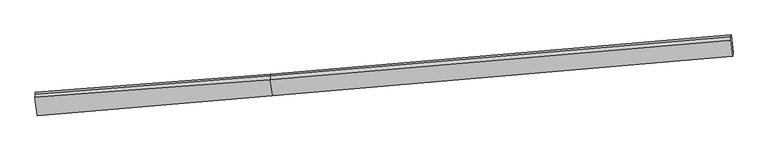
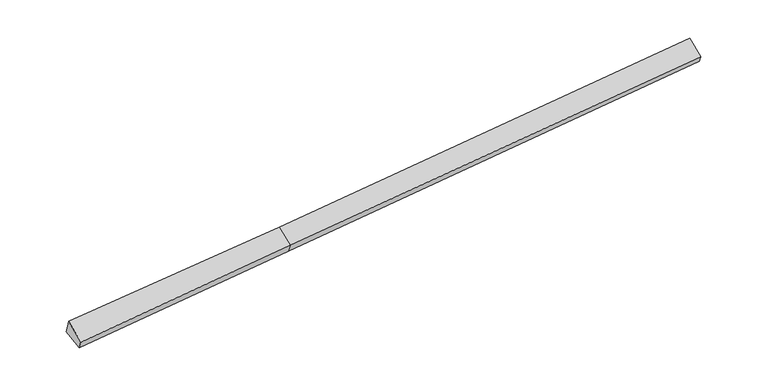
"""IFC4 building model written with IfcOpenShell, lengths in millimetres: proxy geometry."""

from ifc_helpers import new_model, si_unit, frame, origin, place, context, project, spatial, source, transform, mapped, element, save
from ifc_brep_helpers import plane_surface, spline_surface, advanced_brep


def generic_models_7885991b(model_context):
    return source(origin(), model_context, "Body", "AdvancedBrep", [
        advanced_brep(
        [(-12074.8700109, -2325.1454108, 1143.2417591), (-12081.0804117, -2387.9835492, 1327.0220018), (-3464.9810709, -1717.9624278, 1847.2754785), (-3458.7421533, -1654.8357509, 1662.6513585), (-11995.6496318, -3047.7004289, 887.6797562), (-3386.2054802, -2316.429873, 1428.650743), (-12004.3166339, -3184.8519117, 1211.9354303), (-3394.8724823, -2453.5813558, 1752.9064171), (-12093.3016708, -2511.6408126, 1688.6775583), (-3473.2298295, -1860.7734222, 2172.7101252), (13504.8043616, -1002.8298364, 2767.1613578), (13511.8734256, -881.846627, 2490.1923999), (13439.3367524, -220.2525049, 2724.1930154), (13433.0978349, -283.3791818, 2908.8171354), (13426.4470144, -410.0219028, 3186.9650659)],
        [
            (0, 1),
            (1, 2),
            (2, 3),
            (3, 0),
            (4, 0),
            (0, 5),
            (5, 4),
            (6, 4),
            (5, 7),
            (7, 6),
            (8, 6),
            (7, 9),
            (9, 8),
            (1, 8),
            (9, 2),
            (10, 11),
            (11, 12),
            (12, 13),
            (13, 14),
            (14, 10),
            (3, 5),
            (5, 11),
            (10, 7),
            (3, 12),
            (2, 13),
            (9, 14),
        ],
        [
            plane_surface(frame((-12077.9752113, -2356.56448, 1235.1318805), z_axis=(-0.09262144483560174, 0.9431042413724499, 0.31933627708398754), x_axis=(-0.03195876292147161, -0.3233654685198983, 0.9457343238147994))),
            plane_surface(frame((-12035.2598213, -2686.4229199, 1015.4607576), z_axis=(0.03058186989803588, 0.33627210054763784, -0.941268199625813), x_axis=(-0.10281655845979042, 0.9377715818580027, 0.33168240165258084))),
            plane_surface(frame((-11999.9831328, -3116.2761703, 1049.8075932), z_axis=(0.10210656597592761, -0.9171641279628782, -0.38520671276951685), x_axis=(0.024609914482987032, 0.38944103248367423, -0.9207225609960853))),
            plane_surface(frame((-12048.8091523, -2848.2463622, 1450.3064943), z_axis=(-0.0021662339038770947, -0.5781132409598098, 0.8159536678375917), x_axis=(0.10724868001721864, -0.8113836245534545, -0.5745905798401704))),
            spline_surface(1, 1, [[(-12081.0804117, -2387.9835492, 1327.0220018), (-3464.9810709, -1717.9624278, 1847.2754785)], [(-12093.3016708, -2511.6408126, 1688.6775583), (-3473.2298295, -1860.7734222, 2172.7101252)]], [2, 2], [2, 2], [0.0, 1.0], [0.0, 1.0]),
            plane_surface(frame((13463.1118778, -559.6660106, 2815.4657949), z_axis=(0.9942310756968296, 0.0866451520893122, 0.06322330059515632), x_axis=(0.02338255017765434, 0.4001797076986477, -0.9161383399320293))),
            plane_surface(frame((-12042.0344868, -2767.334641, 1232.883626), z_axis=(-0.9942310756968299, -0.08664515208931109, -0.06322330059515162), x_axis=(0.03195876292147456, 0.3233654685198981, -0.9457343238147994))),
            plane_surface(frame((-12074.8700109, -2325.1454108, 1143.2417591), z_axis=(0.030581869898035803, 0.3362721005476431, -0.941268199625811), x_axis=(-0.10281655845979079, 0.9377715818580008, 0.3316824016525861))),
            spline_surface(1, 1, [[(-3394.8724823, -2453.5813558, 1752.9064171), (13504.8043616, -1002.8298364, 2767.1613578)], [(-3386.2054802, -2316.429873, 1428.650743), (13511.8734256, -881.846627, 2490.1923999)]], [2, 2], [2, 2], [0.0, 1.0], [0.0, 1.0]),
            plane_surface(frame((-3422.4738167, -1985.6328119, 1545.6510508), z_axis=(0.030582468589831543, 0.33627215271593847, -0.9412681615367327), x_axis=(-0.10281655845979294, 0.9377715818580032, 0.33168240165257823))),
            plane_surface(frame((-3461.8616121, -1686.3990893, 1754.9634185), z_axis=(-0.10004678194333526, 0.9425003479385359, 0.3188788728632262), x_axis=(-0.03195876292147161, -0.3233654685198983, 0.9457343238147994))),
            spline_surface(1, 1, [[(-3464.9810709, -1717.9624278, 1847.2754785), (13433.0978349, -283.3791818, 2908.8171354)], [(-3473.2298295, -1860.7734222, 2172.7101252), (13426.4470144, -410.0219028, 3186.9650659)]], [2, 2], [2, 2], [0.0, 1.0], [0.0, 1.0]),
            plane_surface(frame((-3434.0511559, -2157.177389, 1962.8082712), z_axis=(0.0006260755948286484, -0.5778686844358087, 0.8161295188741657), x_axis=(0.10724868001722294, -0.8113836245534465, -0.5745905798401807))),
        ],
        [
            (0, [[1, 2, 3, 4]]),
            (1, [[5, 6, 7]]),
            (2, [[8, -7, 9, 10]]),
            (3, [[11, -10, 12, 13]]),
            (4, [[14, -13, 15, -2]]),
            (5, [[16, 17, 18, 19, 20]]),
            (6, [[-1, -5, -8, -11, -14]]),
            (7, [[21, -6, -4]]),
            (8, [[-9, 22, -16, 23]]),
            (9, [[-21, 24, -17, -22]]),
            (10, [[-3, 25, -18, -24]]),
            (11, [[-15, 26, -19, -25]]),
            (12, [[-12, -23, -20, -26]]),
        ],
    ),
    ])


if __name__ == "__main__":
    model = new_model("IFC4")
    model_context = context("Model", 3, world=origin())
    ifc_project = project(units=[si_unit("LENGTHUNIT", "METRE", prefix="MILLI")], contexts=[model_context])
    site = spatial("IfcSite", under=ifc_project)
    building = spatial("IfcBuilding", under=site)
    placement = place(None, origin())
    generic_models_shape = generic_models_7885991b(model_context)
    element("IfcBuildingElementProxy", 1, Name="Generic Models", at=placement, inside=building, context=model_context, shape_type="MappedRepresentation", body=[
        mapped(generic_models_shape, transform((0.0, 0.0, 0.0), x_axis=(1.0, 0.0, 0.0), y_axis=(0.0, 1.0, 0.0), z_axis=(0.0, 0.0, 1.0))),
    ])
    save(model, "model.ifc")
